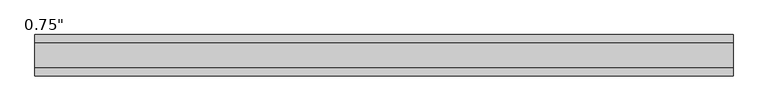
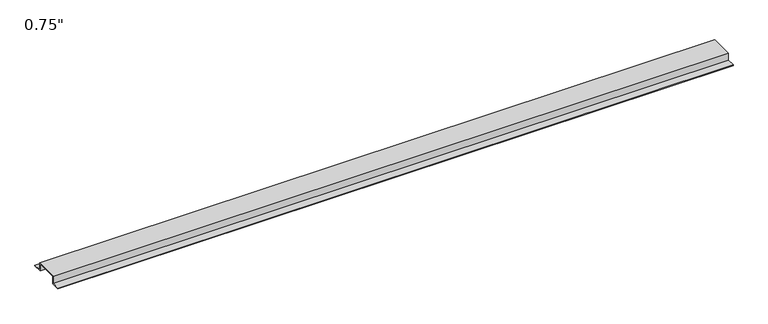
"""IFC4 building model written with IfcOpenShell, lengths in millimetres: proxy geometry."""

import ifcopenshell
import ifcopenshell.guid

model = None  # the IFC model being written
_history = None  # IfcOwnerHistory: only IFC2X3 demands one
_inside = {}  # id of a spatial element -> (the spatial element, [elements in it])
_under = {}  # id of a project, library or spatial element -> (it, [spatial elements below it])
_declared = {}  # id of a project -> (the project, [libraries it declares])
_typed = {}  # id of a type object -> (the type object, [elements of that type])
_made_of = {}  # id of a material, layer set ... -> (it, [elements and type objects made of it])


def new_model(schema):
    """Start an empty IFC model of exactly this schema.

    Asked for "IFC4X3", IfcOpenShell would pick the latest addendum, in which some entities
    have other attributes; the version numbers below select the first issue.
    IFC2X3 requires an IfcOwnerHistory on every rooted entity: one is made here for all.
    """
    global model, _history
    if schema == "IFC4X3":
        model = ifcopenshell.file(schema_version=(4, 3, 0, 0))
    else:
        model = ifcopenshell.file(schema=schema)
    _inside.clear()
    _under.clear()
    _declared.clear()
    _typed.clear()
    _made_of.clear()
    _history = None
    if model.schema == "IFC2X3":
        org = make("IfcOrganization", Name="unknown")
        user = make(
            "IfcPersonAndOrganization",
            ThePerson=make("IfcPerson", FamilyName="unknown"),
            TheOrganization=org,
        )
        app = make(
            "IfcApplication",
            ApplicationDeveloper=org,
            Version="unknown",
            ApplicationFullName="unknown",
            ApplicationIdentifier="unknown",
        )
        _history = make(
            "IfcOwnerHistory",
            OwningUser=user,
            OwningApplication=app,
            ChangeAction="ADDED",
            CreationDate=0,
        )
    return model


def make(cls, **values):
    """One entity of the class cls with the attributes given. An attribute that is None is left unset."""
    return model.create_entity(
        cls, **{name: value for name, value in values.items() if value is not None}
    )


def rooted(cls, **values):
    """An entity with a GlobalId (a new one), such as an element, a storey or a relation."""
    return make(cls, GlobalId=ifcopenshell.guid.new(), OwnerHistory=_history, **values)


def si_unit(unit_type, name, prefix=None):
    """IfcSIUnit, for example si_unit("LENGTHUNIT", "METRE", prefix="MILLI")."""
    return make("IfcSIUnit", UnitType=unit_type, Prefix=prefix, Name=name)


def assignment(units):
    """IfcUnitAssignment: the units of a project."""
    return None if units is None else make("IfcUnitAssignment", Units=units)


def point(xyz):
    """IfcCartesianPoint."""
    return None if xyz is None else make("IfcCartesianPoint", Coordinates=xyz)


def direction(xyz):
    """IfcDirection."""
    return None if xyz is None else make("IfcDirection", DirectionRatios=xyz)


def frame(location, z_axis=None, x_axis=None):
    """IfcAxis2Placement3D, a coordinate frame: its origin and axes. An axis left out is left unset."""
    return make(
        "IfcAxis2Placement3D",
        Location=point(location),
        Axis=direction(z_axis),
        RefDirection=direction(x_axis),
    )


def origin():
    """The frame at (0, 0, 0) with its axes left unset."""
    return frame((0.0, 0.0, 0.0))


def place(relative_to, where):
    """IfcLocalPlacement: puts the frame where relative to a parent placement (None: the world)."""
    return make(
        "IfcLocalPlacement", PlacementRelTo=relative_to, RelativePlacement=where
    )


def context(
    kind, dimensions, precision=None, world=None, true_north=None, identifier=None
):
    """IfcGeometricRepresentationContext, for example the 3D "Model" context."""
    return make(
        "IfcGeometricRepresentationContext",
        ContextIdentifier=identifier,
        ContextType=kind,
        CoordinateSpaceDimension=dimensions,
        Precision=precision,
        WorldCoordinateSystem=world,
        TrueNorth=true_north,
    )


def project(units=None, contexts=None):
    """IfcProject with its units and contexts."""
    return rooted(
        "IfcProject",
        Name="project",
        RepresentationContexts=contexts,
        UnitsInContext=assignment(units),
    )


def spatial(cls, under=None, at=None, **own):
    """A site, building, storey or space (cls), placed at a placement, below another one or the project."""
    s = rooted(cls, ObjectPlacement=at, **own)
    if under is not None:
        _under.setdefault(under.id(), (under, []))[1].append(s)
    return s


def polyline(points):
    """IfcPolyline through the points."""
    return make("IfcPolyline", Points=[point(p) for p in points])


def outline(outer, holes=None, kind="AREA"):
    """IfcArbitraryClosedProfileDef: a profile drawn as a closed curve; with holes, ...WithVoids."""
    if holes is None:
        return make("IfcArbitraryClosedProfileDef", ProfileType=kind, OuterCurve=outer)
    return make(
        "IfcArbitraryProfileDefWithVoids",
        ProfileType=kind,
        OuterCurve=outer,
        InnerCurves=holes,
    )


def extrude(swept, where, along, depth):
    """IfcExtrudedAreaSolid: the profile swept, set in the frame where, extruded along a direction by depth."""
    return make(
        "IfcExtrudedAreaSolid",
        SweptArea=swept,
        Position=where,
        ExtrudedDirection=direction(along),
        Depth=depth,
    )


def shape(context_of_items, identifier, shape_type, items):
    """IfcShapeRepresentation: the items that make up one representation, for example the "Body"."""
    return make(
        "IfcShapeRepresentation",
        ContextOfItems=context_of_items,
        RepresentationIdentifier=identifier,
        RepresentationType=shape_type,
        Items=items,
    )


def source(mapping_origin, context_of_items, identifier, shape_type, items):
    """IfcRepresentationMap: a shape defined once, which mapped items show again and again."""
    return make(
        "IfcRepresentationMap",
        MappingOrigin=mapping_origin,
        MappedRepresentation=shape(context_of_items, identifier, shape_type, items),
    )


def transform(
    local_origin,
    x_axis=None,
    y_axis=None,
    z_axis=None,
    scale=None,
    scale2=None,
    scale3=None,
    uniform=True,
):
    """IfcCartesianTransformationOperator3D, or its non-uniform kind. x_axis, y_axis, z_axis: its Axis1, 2, 3."""
    if uniform:
        return make(
            "IfcCartesianTransformationOperator3D",
            Axis1=direction(x_axis),
            Axis2=direction(y_axis),
            LocalOrigin=point(local_origin),
            Scale=scale,
            Axis3=direction(z_axis),
        )
    return make(
        "IfcCartesianTransformationOperator3DnonUniform",
        Axis1=direction(x_axis),
        Axis2=direction(y_axis),
        LocalOrigin=point(local_origin),
        Scale=scale,
        Axis3=direction(z_axis),
        Scale2=scale2,
        Scale3=scale3,
    )


def mapped(mapping_source, mapping_target):
    """IfcMappedItem: shows the shape of a source again, moved by a transform."""
    return make(
        "IfcMappedItem", MappingSource=mapping_source, MappingTarget=mapping_target
    )


def made_of(thing, what):
    """Note that an element or type object is made of a material, layer set ...; save() writes the relation."""
    if what is not None:
        _made_of.setdefault(what.id(), (what, []))[1].append(thing)
    return thing


def element(
    cls,
    number,
    at=None,
    inside=None,
    cuts=None,
    type_object=None,
    material=None,
    context=None,
    identifier="Body",
    shape_type=None,
    held_by="IfcProductDefinitionShape",
    body=None,
    shapes=None,
    **own,
):
    """One element of the class cls, such as IfcWall. Its Tag is "e" and its number.

    at: its placement. inside: the storey or other place that contains it. cuts: it is an
    opening in that element (IfcRelVoidsElement). A single representation is given by context,
    identifier, shape_type and body (its items); several are given by shapes. held_by: the class
    of the entity that holds the representations. save() writes the other relations.
    """
    e = rooted(cls, Tag="e%d" % number, ObjectPlacement=at, **own)
    if body is not None:
        shapes = [shape(context, identifier, shape_type, body)]
    if shapes is not None:
        e.Representation = make(held_by, Representations=shapes)
    if inside is not None:
        _inside.setdefault(inside.id(), (inside, []))[1].append(e)
    if cuts is not None:
        rooted(
            "IfcRelVoidsElement", RelatingBuildingElement=cuts, RelatedOpeningElement=e
        )
    if type_object is not None:
        _typed.setdefault(type_object.id(), (type_object, []))[1].append(e)
    return made_of(e, material)


def aggregate(whole, parts):
    """IfcRelAggregates: a whole, such as a stair, and the parts it consists of."""
    return rooted("IfcRelAggregates", RelatingObject=whole, RelatedObjects=parts)


def save(model, path):
    """Write the relations noted so far, then the file.

    IfcRelAggregates (storeys below a building ...), IfcRelContainedInSpatialStructure (elements
    in a storey), IfcRelDefinesByType, IfcRelAssociatesMaterial and IfcRelDeclares: one each for
    every whole, place, type object, material and project.
    """
    for whole, parts in _under.values():
        aggregate(whole, parts)
    for where, things in _inside.values():
        rooted(
            "IfcRelContainedInSpatialStructure",
            RelatedElements=things,
            RelatingStructure=where,
        )
    for kind, things in _typed.values():
        rooted("IfcRelDefinesByType", RelatedObjects=things, RelatingType=kind)
    for what, things in _made_of.values():
        rooted("IfcRelAssociatesMaterial", RelatedObjects=things, RelatingMaterial=what)
    for by, libraries in _declared.values():
        rooted("IfcRelDeclares", RelatingContext=by, RelatedDefinitions=libraries)
    model.write(path)


def proxy_45252b6e(model_context):
    return source(origin(), model_context, "Body", "SweptSolid", [
        extrude(outline(polyline([(46.0559645, -17.4625), (25.4, -17.4625), (25.4, 0.0), (-25.4, 0.0), (-25.4, -17.4625), (-46.0559645, -17.4625), (-46.0559645, -15.8492), (-27.0129, -15.8492), (-27.0129, 1.6129), (27.0129, 1.6129), (27.0129, -15.8492), (46.0559645, -15.8492), (46.0559645, -17.4625)])), frame((0.0, 0.0, 0.0), z_axis=(1.0, 0.0, 0.0), x_axis=(0.0, 1.0, 0.0)), (0.0, 0.0, 1.0), 1560.4686355),
    ])


if __name__ == "__main__":
    model = new_model("IFC4")
    model_context = context("Model", 3, world=origin())
    ifc_project = project(units=[si_unit("LENGTHUNIT", "METRE", prefix="MILLI")], contexts=[model_context])
    site = spatial("IfcSite", under=ifc_project)
    building = spatial("IfcBuilding", under=site)
    placement = place(None, origin())
    proxy_shape = proxy_45252b6e(model_context)
    element("IfcBuildingElementProxy", 1, Name="0.75\"", ObjectType="0.75\"", at=placement, inside=building, context=model_context, shape_type="MappedRepresentation", body=[
        mapped(proxy_shape, transform((0.0, 0.0, 0.0), x_axis=(1.0, 0.0, 0.0), y_axis=(0.0, 1.0, 0.0), z_axis=(0.0, 0.0, 1.0))),
    ])
    save(model, "model.ifc")
